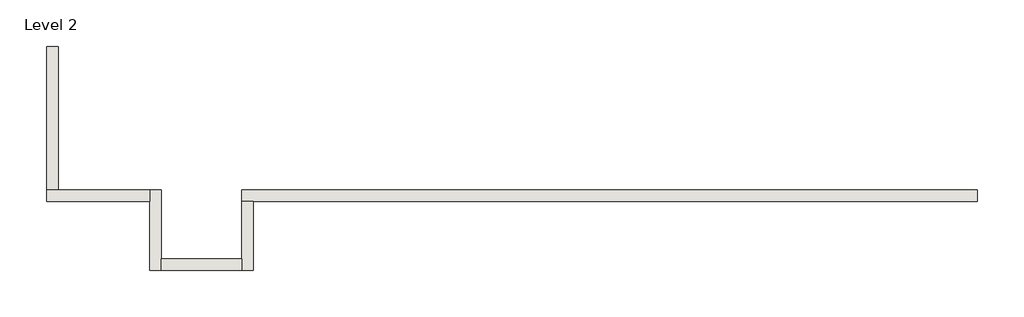
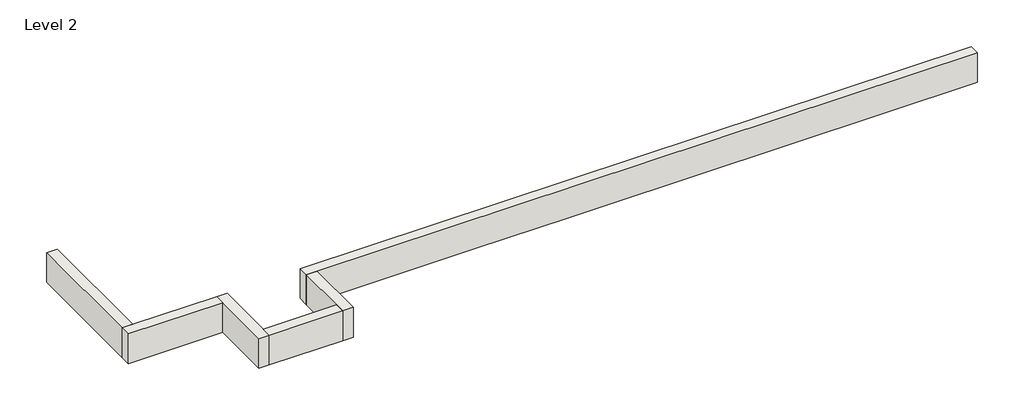
# One storey: 6 walls.
"""IFC4 building model written with IfcOpenShell, lengths in millimetres."""

from ifc_helpers import new_model, si_unit, frame, origin, place, context, project, spatial, polyline, outline, extrude, faceted_brep, element, save

model = new_model("IFC4")

# Units and contexts
model_context = context("Model", 3, world=origin())
ifc_project = project(units=[si_unit("LENGTHUNIT", "METRE", prefix="MILLI")], contexts=[model_context])

# Site, building, storey
site = spatial("IfcSite", under=ifc_project)
building = spatial("IfcBuilding", under=site)
storey = spatial("IfcBuildingStorey", under=building, Name="Level 2", Elevation=3048.0)

# Walls
placement = place(None, origin())
element("IfcWall", 1, ObjectType="Generic - 8\" Brick", at=placement, inside=storey, context=model_context, shape_type="Brep", body=[
    faceted_brep([(14630.357857, 1422.3976187, 3048.0), (7315.157857, 1422.3976187, 3048.0), (6705.557857, 1422.3976187, 3048.0), (4876.757857, 1422.3976187, 3048.0), (3657.557857, 1422.3976187, 3048.0), (1625.5602383, 1422.3976187, 3048.0), (1625.5602383, 1422.3976187, 3657.6), (14630.357857, 1422.3976187, 3657.6), (14630.357857, 1219.1976187, 3048.0), (14630.357857, 1219.1976187, 3657.6), (1828.7602383, 1219.1976187, 3657.6), (1625.5602383, 1219.1976187, 3657.6), (1625.5602383, 1219.1976187, 3048.0), (1828.7602383, 1219.1976187, 3048.0), (3657.557857, 1219.1976187, 3048.0), (4876.757857, 1219.1976187, 3048.0), (6705.557857, 1219.1976187, 3048.0), (7315.157857, 1219.1976187, 3048.0)], [[[0, 1, 2, 3, 4, 5, 6, 7]], [[8, 9, 10, 11, 12, 13, 14, 15, 16, 17]], [[5, 4, 3, 2, 1, 0, 8, 17, 16, 15, 14, 13, 12]], [[7, 6, 11, 10, 9]], [[0, 7, 9, 8]], [[6, 5, 12, 11]]]),
])
element("IfcWall", 2, ObjectType="Generic - 8\" Brick", at=placement, inside=storey, context=model_context, shape_type="Brep", body=[
    faceted_brep([(1625.5602383, 1219.1976187, 3048.0), (1625.5602383, 203.2, 3048.0), (1625.5602383, 0.0, 3048.0), (1625.5602383, 0.0, 3657.6), (1625.5602383, 203.2, 3657.6), (1625.5602383, 1219.1976187, 3657.6), (1828.7602383, 1219.1976187, 3048.0), (1828.7602383, 1219.1976187, 3657.6), (1828.7602383, 0.0, 3657.6), (1828.7602383, 0.0, 3048.0)], [[[0, 1, 2, 3, 4, 5]], [[6, 7, 8, 9]], [[2, 1, 0, 6, 9]], [[5, 4, 3, 8, 7]], [[0, 5, 7, 6]], [[3, 2, 9, 8]]]),
])
element("IfcWall", 3, ObjectType="Generic - 8\" Brick", at=placement, inside=storey, context=model_context, shape_type="SweptSolid", body=[
    extrude(outline(polyline([(203.157857, 203.2), (1625.5602383, 203.2), (1625.5602383, 0.0), (203.157857, 0.0), (203.157857, 203.2)])), frame((0.0, 0.0, 3048.0), z_axis=(0.0, 0.0, 1.0), x_axis=(1.0, 0.0, 0.0)), (0.0, 0.0, 1.0), 609.6),
])
element("IfcWall", 4, ObjectType="Generic - 8\" Brick", at=placement, inside=storey, context=model_context, shape_type="Brep", body=[
    faceted_brep([(203.157857, 0.0, 3048.0), (203.157857, 203.2, 3048.0), (203.157857, 1422.3976187, 3048.0), (203.157857, 1422.3976187, 3657.6), (203.157857, 203.2, 3657.6), (203.157857, 0.0, 3657.6), (-0.042143, 0.0, 3048.0), (-0.042143, 0.0, 3657.6), (-0.042143, 1219.1976187, 3657.6), (-0.042143, 1422.3976187, 3657.6), (-0.042143, 1422.3976187, 3048.0), (-0.042143, 1219.1976187, 3048.0)], [[[0, 1, 2, 3, 4, 5]], [[6, 7, 8, 9, 10, 11]], [[2, 1, 0, 6, 11, 10]], [[5, 4, 3, 9, 8, 7]], [[0, 5, 7, 6]], [[3, 2, 10, 9]]]),
])
element("IfcWall", 5, ObjectType="Generic - 8\" Brick", at=placement, inside=storey, context=model_context, shape_type="Brep", body=[
    faceted_brep([(-0.042143, 1422.3976187, 3048.0), (-1625.610393, 1422.3976187, 3048.0), (-1828.810393, 1422.3976187, 3048.0), (-1828.810393, 1422.3976187, 3657.6), (-1625.610393, 1422.3976187, 3657.6), (-0.042143, 1422.3976187, 3657.6), (-0.042143, 1219.1976187, 3048.0), (-0.042143, 1219.1976187, 3657.6), (-1828.810393, 1219.1976187, 3657.6), (-1828.810393, 1219.1976187, 3048.0)], [[[0, 1, 2, 3, 4, 5]], [[6, 7, 8, 9]], [[2, 1, 0, 6, 9]], [[5, 4, 3, 8, 7]], [[0, 5, 7, 6]], [[3, 2, 9, 8]]]),
])
element("IfcWall", 6, ObjectType="Generic - 8\" Brick", at=placement, inside=storey, context=model_context, shape_type="Brep", body=[
    faceted_brep([(-1625.610393, 1422.3976187, 3048.0), (-1625.610393, 3047.96825, 3048.0), (-1625.610393, 3962.36825, 3048.0), (-1625.610393, 3962.36825, 3657.6), (-1625.610393, 1422.3976187, 3657.6), (-1828.810393, 1422.3976187, 3048.0), (-1828.810393, 1422.3976187, 3657.6), (-1828.810393, 3962.36825, 3657.6), (-1828.810393, 3962.36825, 3048.0), (-1828.810393, 3047.96825, 3048.0)], [[[0, 1, 2, 3, 4]], [[5, 6, 7, 8, 9]], [[2, 1, 0, 5, 9, 8]], [[3, 2, 8, 7]], [[4, 3, 7, 6]], [[0, 4, 6, 5]]]),
])

save(model, "model.ifc")
